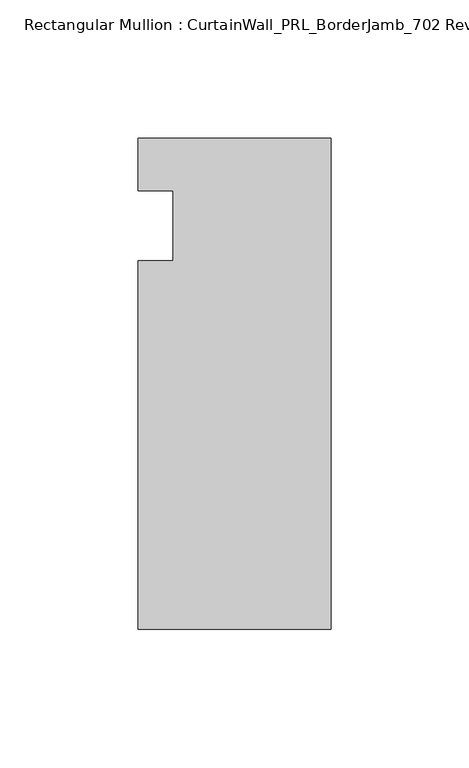
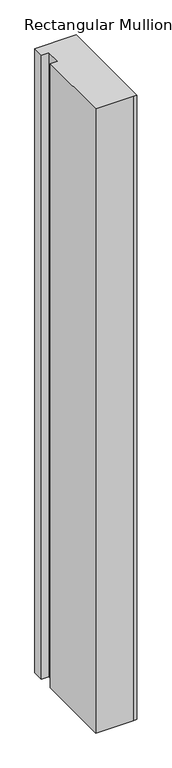
"""IFC4 building model written with IfcOpenShell, lengths in millimetres: member geometry, Rectangular Mullion : CurtainWall_PRL_BorderJamb_702 Reverse."""

from ifc_helpers import new_model, si_unit, frame, origin, place, context, project, spatial, polyline, outline, extrude, source, transform, mapped, element, save


def rectangular_mullion_curtainwall_prl_borderjamb_702_reverse_92294b52(model_context):
    return source(origin(), model_context, "Body", "SweptSolid", [
        extrude(outline(polyline([(-57.15, -12.7), (-57.15, 12.7), (-69.85, 12.7), (-69.85, 31.75), (-7.3958824, 31.75), (0.0, 31.75), (0.0, -146.05), (-6.35, -146.05), (-69.85, -146.05), (-69.85, -12.7), (-57.15, -12.7)])), frame((0.0, 0.0, -1117.6), z_axis=(0.0, 0.0, 1.0), x_axis=(1.0, 0.0, 0.0)), (0.0, 0.0, 1.0), 1117.6),
    ])


if __name__ == "__main__":
    model = new_model("IFC4")
    model_context = context("Model", 3, world=origin())
    ifc_project = project(units=[si_unit("LENGTHUNIT", "METRE", prefix="MILLI")], contexts=[model_context])
    site = spatial("IfcSite", under=ifc_project)
    building = spatial("IfcBuilding", under=site)
    placement = place(None, origin())
    rectangular_mullion_curtainwall_prl_borderjamb_702_reverse_shape = rectangular_mullion_curtainwall_prl_borderjamb_702_reverse_92294b52(model_context)
    element("IfcMember", 1, ObjectType="Rectangular Mullion : CurtainWall_PRL_BorderJamb_702 Reverse", at=placement, inside=building, context=model_context, shape_type="MappedRepresentation", body=[
        mapped(rectangular_mullion_curtainwall_prl_borderjamb_702_reverse_shape, transform((0.0, 0.0, 0.0), x_axis=(1.0, 0.0, 0.0), y_axis=(0.0, 1.0, 0.0), z_axis=(0.0, 0.0, 1.0))),
    ])
    save(model, "model.ifc")
